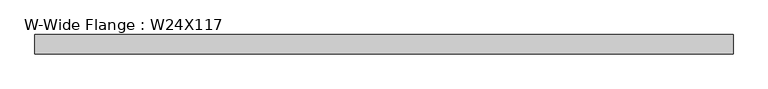
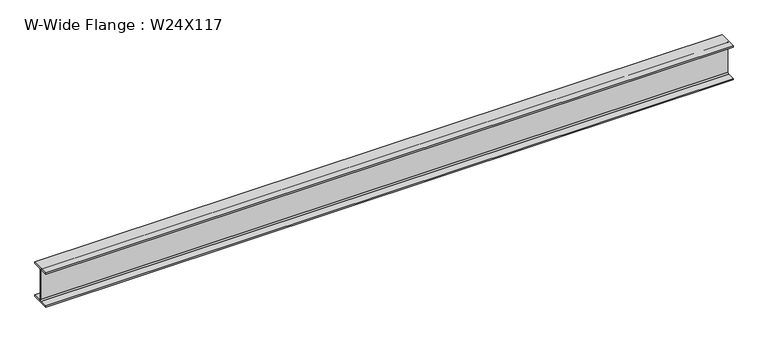
"""IFC4 building model written with IfcOpenShell, lengths in millimetres: beam geometry, W-Wide Flange : W24X117."""

from ifc_helpers import new_model, si_unit, point, frame, frame_2d, origin, place, context, project, spatial, polyline, circle_curve, trimmed, segment, composite_curve, outline, extrude, source, transform, mapped, element, save


def w_wide_flange_w24x117_f31387eb(model_context):
    return source(origin(), model_context, "Body", "SweptSolid", [
        extrude(outline(composite_curve([segment(polyline([(162.56, -287.02), (162.56, -308.61), (-162.56, -308.61), (-162.56, -287.02), (-29.845, -287.02)]), True, "CONTINUOUS"), segment(trimmed(circle_curve(frame_2d((-29.845, -264.16)), 22.86), [point((-29.845, -287.02))], [point((-6.985, -264.16))], True, "CARTESIAN"), True, "CONTINUOUS"), segment(polyline([(-6.985, -264.16), (-6.985, 264.16)]), True, "CONTINUOUS"), segment(trimmed(circle_curve(frame_2d((-29.845, 264.16)), 22.86), [point((-6.985, 264.16))], [point((-29.845, 287.02))], True, "CARTESIAN"), True, "CONTINUOUS"), segment(polyline([(-29.845, 287.02), (-162.56, 287.02), (-162.56, 308.61), (162.56, 308.61), (162.56, 287.02), (29.845, 287.02)]), True, "CONTINUOUS"), segment(trimmed(circle_curve(frame_2d((29.845, 264.16)), 22.86), [point((29.845, 287.02))], [point((6.985, 264.16))], True, "CARTESIAN"), True, "CONTINUOUS"), segment(polyline([(6.985, 264.16), (6.985, -264.16)]), True, "CONTINUOUS"), segment(trimmed(circle_curve(frame_2d((29.845, -264.16)), 22.86), [point((6.985, -264.16))], [point((29.845, -287.02))], True, "CARTESIAN"), True, "CONTINUOUS"), segment(polyline([(29.845, -287.02), (162.56, -287.02)]), True, "CONTINUOUS")], self_intersect=False)), frame((-5841.3753865, 0.0, 0.0), z_axis=(1.0, 0.0, 0.0), x_axis=(0.0, 1.0, 0.0)), (0.0, 0.0, 1.0), 11746.8235106),
    ])


if __name__ == "__main__":
    model = new_model("IFC4")
    model_context = context("Model", 3, world=origin())
    ifc_project = project(units=[si_unit("LENGTHUNIT", "METRE", prefix="MILLI")], contexts=[model_context])
    site = spatial("IfcSite", under=ifc_project)
    building = spatial("IfcBuilding", under=site)
    placement = place(None, origin())
    w_wide_flange_w24x117_shape = w_wide_flange_w24x117_f31387eb(model_context)
    element("IfcBeam", 1, ObjectType="W-Wide Flange : W24X117", at=placement, inside=building, context=model_context, shape_type="MappedRepresentation", body=[
        mapped(w_wide_flange_w24x117_shape, transform((0.0, 0.0, 0.0), x_axis=(1.0, 0.0, 0.0), y_axis=(0.0, 1.0, 0.0), z_axis=(0.0, 0.0, 1.0))),
    ])
    save(model, "model.ifc")
